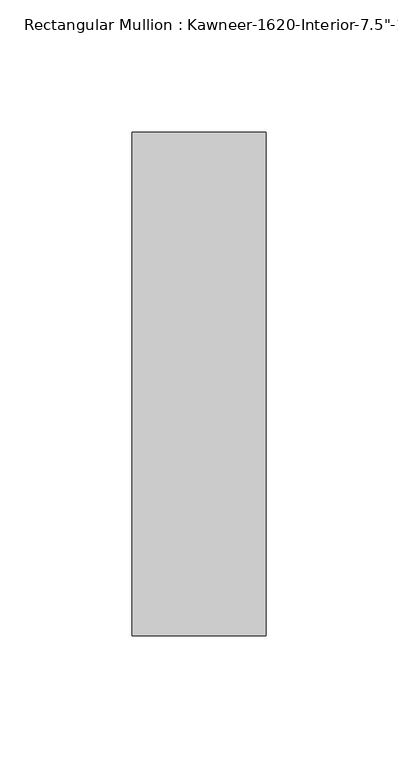
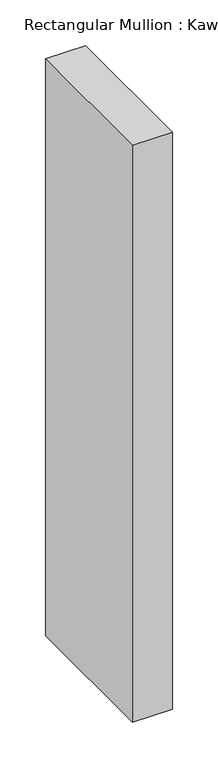
"""IFC4 building model written with IfcOpenShell, lengths in millimetres: member geometry."""

from ifc_helpers import new_model, si_unit, frame, origin, place, context, project, spatial, polyline, outline, extrude, source, transform, mapped, element, save


def member_62ef08fd(model_context):
    return source(origin(), model_context, "Body", "SweptSolid", [
        extrude(outline(polyline([(25.4, -152.4), (-25.4, -152.4), (-25.4, 38.1), (25.4, 38.1), (25.4, -152.4)])), frame((0.0, 0.0, -771.525), z_axis=(0.0, 0.0, 1.0), x_axis=(1.0, 0.0, 0.0)), (0.0, 0.0, 1.0), 771.525),
    ])


if __name__ == "__main__":
    model = new_model("IFC4")
    model_context = context("Model", 3, world=origin())
    ifc_project = project(units=[si_unit("LENGTHUNIT", "METRE", prefix="MILLI")], contexts=[model_context])
    site = spatial("IfcSite", under=ifc_project)
    building = spatial("IfcBuilding", under=site)
    placement = place(None, origin())
    member_shape = member_62ef08fd(model_context)
    element("IfcMember", 1, ObjectType="Rectangular Mullion : Kawneer-1620-Interior-7.5\"-1\"Infill", at=placement, inside=building, context=model_context, shape_type="MappedRepresentation", body=[
        mapped(member_shape, transform((0.0, 0.0, 0.0), x_axis=(1.0, 0.0, 0.0), y_axis=(0.0, 1.0, 0.0), z_axis=(0.0, 0.0, 1.0))),
    ])
    save(model, "model.ifc")
